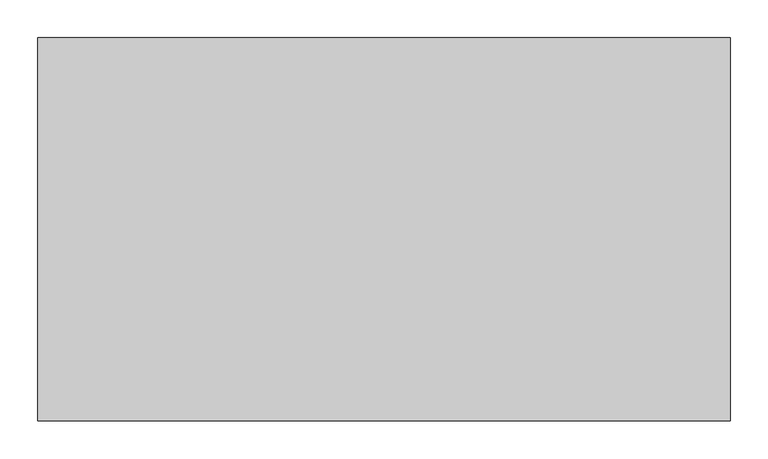
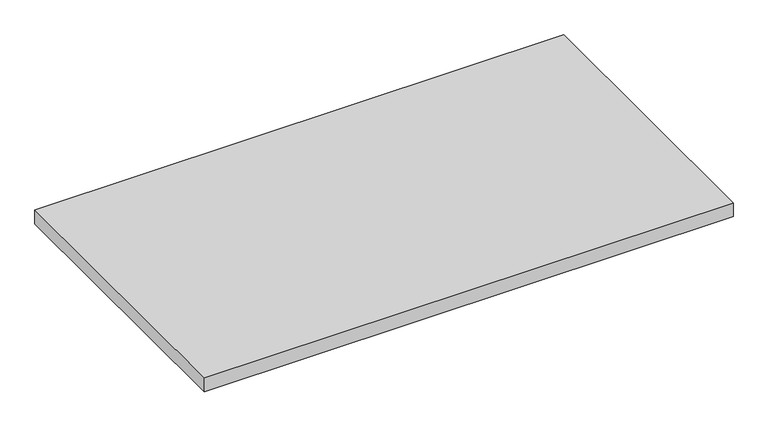
"""IFC4 building model written with IfcOpenShell, lengths in millimetres: furniture geometry."""

from ifc_helpers import new_model, si_unit, frame, origin, place, context, project, spatial, polyline, outline, extrude, source, transform, mapped, element, save


def furniture_e3b15397(model_context):
    return source(origin(), model_context, "Body", "SweptSolid", [
        extrude(outline(polyline([(912.7998, -548.7539634), (912.7998, -1053.7059634), (1.6002, -1053.7059634), (1.6002, -548.7539634), (912.7998, -548.7539634)])), frame((0.0, 0.0, 565.15), z_axis=(0.0, 0.0, 1.0), x_axis=(1.0, 0.0, 0.0)), (0.0, 0.0, 1.0), 25.4),
    ])


if __name__ == "__main__":
    model = new_model("IFC4")
    model_context = context("Model", 3, world=origin())
    ifc_project = project(units=[si_unit("LENGTHUNIT", "METRE", prefix="MILLI")], contexts=[model_context])
    site = spatial("IfcSite", under=ifc_project)
    building = spatial("IfcBuilding", under=site)
    placement = place(None, origin())
    furniture_shape = furniture_e3b15397(model_context)
    element("IfcFurniture", 1, at=placement, inside=building, context=model_context, shape_type="MappedRepresentation", body=[
        mapped(furniture_shape, transform((0.0, 0.0, 0.0), x_axis=(1.0, 0.0, 0.0), y_axis=(0.0, 1.0, 0.0), z_axis=(0.0, 0.0, 1.0))),
    ])
    save(model, "model.ifc")
